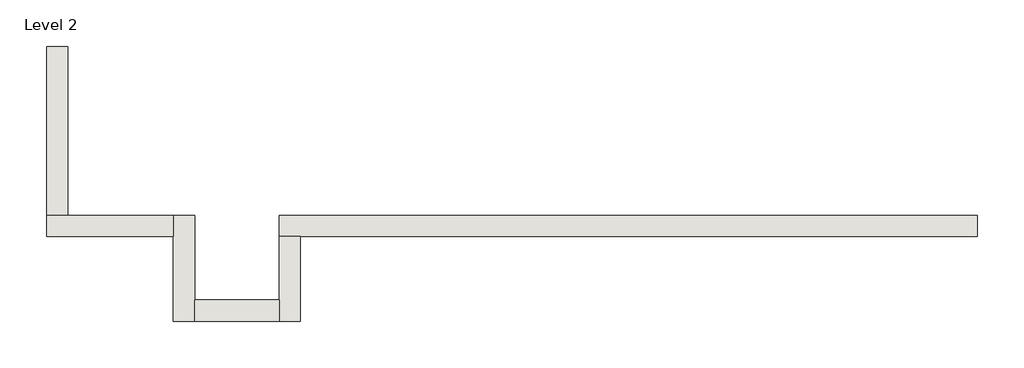
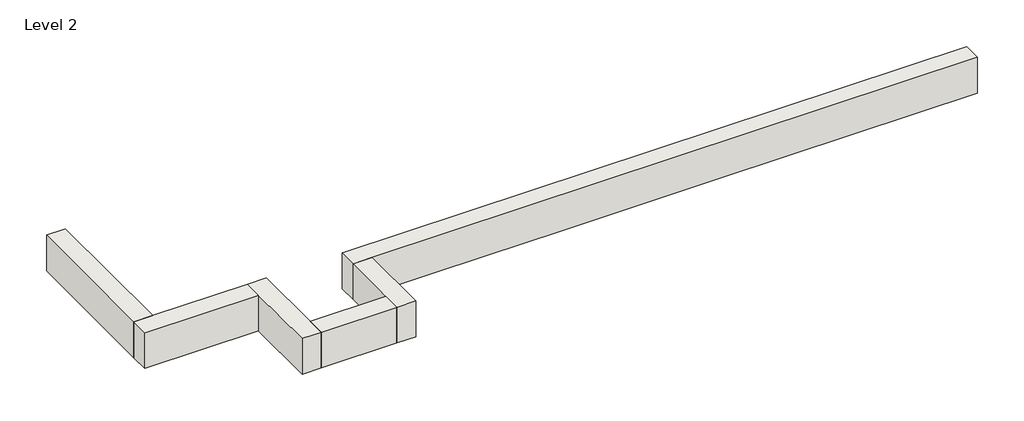
# One storey: 6 walls.
"""IFC4 building model written with IfcOpenShell, lengths in millimetres."""

from ifc_helpers import new_model, si_unit, frame, origin, place, context, project, spatial, polyline, outline, extrude, faceted_brep, element, save

model = new_model("IFC4")

# Units and contexts
model_context = context("Model", 3, world=origin())
ifc_project = project(units=[si_unit("LENGTHUNIT", "METRE", prefix="MILLI")], contexts=[model_context])

# Site, building, storey
site = spatial("IfcSite", under=ifc_project)
building = spatial("IfcBuilding", under=site)
storey = spatial("IfcBuildingStorey", under=building, Name="Level 2", Elevation=3048.0)

# Walls
placement = place(None, origin())
element("IfcWall", 1, ObjectType="Generic - 12\" Brick", at=placement, inside=storey, context=model_context, shape_type="Brep", body=[
    faceted_brep([(11582.357857, 1523.9976187, 3048.0), (8534.357857, 1523.9976187, 3048.0), (7315.157857, 1523.9976187, 3048.0), (4876.757857, 1523.9976187, 3048.0), (3657.557857, 1523.9976187, 3048.0), (1523.9602383, 1523.9976187, 3048.0), (1523.9602383, 1523.9976187, 3657.6), (11582.357857, 1523.9976187, 3657.6), (11582.357857, 1219.1976187, 3048.0), (11582.357857, 1219.1976187, 3657.6), (1828.7602383, 1219.1976187, 3657.6), (1523.9602383, 1219.1976187, 3657.6), (1523.9602383, 1219.1976187, 3048.0), (1828.7602383, 1219.1976187, 3048.0), (3657.557857, 1219.1976187, 3048.0), (4876.757857, 1219.1976187, 3048.0), (7315.157857, 1219.1976187, 3048.0), (8534.357857, 1219.1976187, 3048.0)], [[[0, 1, 2, 3, 4, 5, 6, 7]], [[8, 9, 10, 11, 12, 13, 14, 15, 16, 17]], [[5, 4, 3, 2, 1, 0, 8, 17, 16, 15, 14, 13, 12]], [[7, 6, 11, 10, 9]], [[0, 7, 9, 8]], [[6, 5, 12, 11]]]),
])
element("IfcWall", 2, ObjectType="Generic - 12\" Brick", at=placement, inside=storey, context=model_context, shape_type="Brep", body=[
    faceted_brep([(1523.9602383, 1219.1976187, 3048.0), (1523.9602383, 304.8, 3048.0), (1523.9602383, 0.0, 3048.0), (1523.9602383, 0.0, 3657.6), (1523.9602383, 304.8, 3657.6), (1523.9602383, 1219.1976187, 3657.6), (1828.7602383, 1219.1976187, 3048.0), (1828.7602383, 1219.1976187, 3657.6), (1828.7602383, 0.0, 3657.6), (1828.7602383, 0.0, 3048.0)], [[[0, 1, 2, 3, 4, 5]], [[6, 7, 8, 9]], [[2, 1, 0, 6, 9]], [[5, 4, 3, 8, 7]], [[0, 5, 7, 6]], [[3, 2, 9, 8]]]),
])
element("IfcWall", 3, ObjectType="Generic - 12\" Brick", at=placement, inside=storey, context=model_context, shape_type="SweptSolid", body=[
    extrude(outline(polyline([(304.757857, 304.8), (1523.9602383, 304.8), (1523.9602383, 0.0), (304.757857, 0.0), (304.757857, 304.8)])), frame((0.0, 0.0, 3048.0), z_axis=(0.0, 0.0, 1.0), x_axis=(1.0, 0.0, 0.0)), (0.0, 0.0, 1.0), 609.6),
])
element("IfcWall", 4, ObjectType="Generic - 12\" Brick", at=placement, inside=storey, context=model_context, shape_type="Brep", body=[
    faceted_brep([(304.757857, 0.0, 3048.0), (304.757857, 304.8, 3048.0), (304.757857, 1523.9976187, 3048.0), (304.757857, 1523.9976187, 3657.6), (304.757857, 304.8, 3657.6), (304.757857, 0.0, 3657.6), (-0.042143, 0.0, 3048.0), (-0.042143, 0.0, 3657.6), (-0.042143, 1219.1976187, 3657.6), (-0.042143, 1523.9976187, 3657.6), (-0.042143, 1523.9976187, 3048.0), (-0.042143, 1219.1976187, 3048.0)], [[[0, 1, 2, 3, 4, 5]], [[6, 7, 8, 9, 10, 11]], [[2, 1, 0, 6, 11, 10]], [[5, 4, 3, 9, 8, 7]], [[0, 5, 7, 6]], [[3, 2, 10, 9]]]),
])
element("IfcWall", 5, ObjectType="Generic - 12\" Brick", at=placement, inside=storey, context=model_context, shape_type="Brep", body=[
    faceted_brep([(-0.042143, 1523.9976187, 3048.0), (-1524.010393, 1523.9976187, 3048.0), (-1828.810393, 1523.9976187, 3048.0), (-1828.810393, 1523.9976187, 3657.6), (-1524.010393, 1523.9976187, 3657.6), (-0.042143, 1523.9976187, 3657.6), (-0.042143, 1219.1976187, 3048.0), (-0.042143, 1219.1976187, 3657.6), (-1828.810393, 1219.1976187, 3657.6), (-1828.810393, 1219.1976187, 3048.0)], [[[0, 1, 2, 3, 4, 5]], [[6, 7, 8, 9]], [[2, 1, 0, 6, 9]], [[5, 4, 3, 8, 7]], [[0, 5, 7, 6]], [[3, 2, 9, 8]]]),
])
element("IfcWall", 6, ObjectType="Generic - 12\" Brick", at=placement, inside=storey, context=model_context, shape_type="Brep", body=[
    faceted_brep([(-1524.010393, 1523.9976187, 3048.0), (-1524.010393, 3047.96825, 3048.0), (-1524.010393, 3962.36825, 3048.0), (-1524.010393, 3962.36825, 3657.6), (-1524.010393, 1523.9976187, 3657.6), (-1828.810393, 1523.9976187, 3048.0), (-1828.810393, 1523.9976187, 3657.6), (-1828.810393, 3962.36825, 3657.6), (-1828.810393, 3962.36825, 3048.0), (-1828.810393, 3047.96825, 3048.0)], [[[0, 1, 2, 3, 4]], [[5, 6, 7, 8, 9]], [[2, 1, 0, 5, 9, 8]], [[3, 2, 8, 7]], [[4, 3, 7, 6]], [[0, 4, 6, 5]]]),
])

save(model, "model.ifc")
